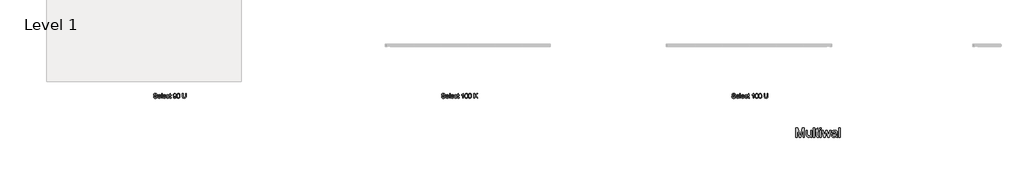
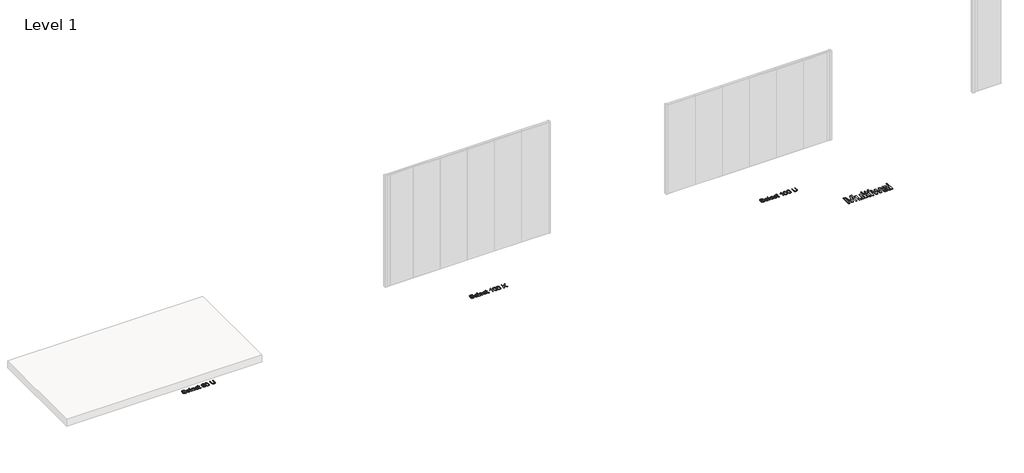
# One storey, part 3 of 4: 4 proxies.
"""IFC4 building model written with IfcOpenShell, lengths in millimetres."""

from ifc_helpers import new_model, si_unit, origin, origin_with_axes, place, context, project, spatial, polyline, outline, extrude, element, save

model = new_model("IFC4")

# Units and contexts
model_context = context("Model", 3, world=origin())
ifc_project = project(units=[si_unit("LENGTHUNIT", "METRE", prefix="MILLI")], contexts=[model_context])

# Site, building, storey
site = spatial("IfcSite", under=ifc_project)
building = spatial("IfcBuilding", under=site)
storey = spatial("IfcBuildingStorey", under=building, Name="Level 1", Elevation=0.0)

# Proxies
placement = place(None, origin())
element("IfcBuildingElementProxy", 1, Name="200mm", ObjectType="200mm", at=placement, inside=storey, context=model_context, shape_type="SweptSolid", body=[
    extrude(outline(polyline([(5837.125825, -17018.758288), (5861.7412096, -17018.758288), (5869.6739019, -17043.3977111), (5877.6426519, -17052.1116534), (5889.0489019, -17058.9746342), (5902.9912096, -17063.4277592), (5918.5681327, -17064.9121342), (5944.2892865, -17060.4169419), (5960.8998634, -17048.0611726), (5966.3565942, -17031.5467495), (5962.2700557, -17016.1861726), (5956.0440942, -17010.1104515), (5945.5392865, -17005.008288), (5909.6979404, -16995.6092495), (5871.1162096, -16983.4698265), (5858.8626038, -16975.1885765), (5850.1787096, -16965.1525188), (5845.0044307, -16953.5779995), (5843.2796711, -16940.6813649), (5845.4130846, -16926.2642976), (5851.813325, -16912.820788), (5862.312123, -16901.4265572), (5876.7412096, -16893.1573265), (5894.0609211, -16888.1272784), (5913.2315942, -16886.4505957), (5934.000825, -16888.2054034), (5952.1739019, -16893.4698265), (5967.1017865, -16902.1356919), (5978.1354404, -16914.0948265), (5985.1186134, -16928.602038), (5987.8950557, -16944.9121342), (5963.2796711, -16944.9121342), (5958.7604404, -16930.2246342), (5949.3373634, -16919.6236726), (5934.6138057, -16913.2054034), (5914.1931327, -16911.0659803), (5893.2916904, -16913.1813649), (5878.952748, -16919.5275188), (5870.6594788, -16928.8664611), (5867.8950557, -16939.9602111), (5869.8541904, -16949.4193457), (5875.7315942, -16957.0275188), (5889.625825, -16963.8304034), (5915.9239019, -16970.7775188), (5959.4815942, -16983.133288), (5973.5140461, -16992.0635765), (5983.3037096, -17003.0852111), (5989.0549115, -17016.0779995), (5990.9719788, -17030.9217495), (5988.76645, -17046.0960284), (5982.1498634, -17060.3688649), (5971.3926519, -17072.6525188), (5956.765248, -17081.8592495), (5939.1751038, -17087.6104515), (5919.5296711, -17089.5275188), (5895.4130846, -17087.4602111), (5875.563325, -17081.258288), (5859.7520269, -17070.8977111), (5847.750825, -17056.3544419), (5840.046498, -17038.6380957), (5837.125825, -17018.758288)])), origin_with_axes(), (0.0, 0.0, 1.0), 5.0),
    extrude(outline(polyline([(6126.0681327, -17043.3736726), (6150.202748, -17046.4505957), (6141.5068346, -17064.6356919), (6127.6306327, -17078.2294419), (6108.8866423, -17086.7029995), (6085.5873634, -17089.5275188), (6056.7051519, -17084.6537207), (6034.4815942, -17070.0323265), (6020.3109211, -17046.6128553), (6015.5873634, -17015.3448265), (6020.358998, -16983.0251149), (6034.6739019, -16958.8544419), (6056.5969788, -16943.7823265), (6084.1931327, -16938.758288), (6110.9299115, -16943.7703072), (6132.2940942, -16958.8063649), (6146.3025077, -16982.9289611), (6150.9719788, -17015.2005957), (6150.827748, -17021.8352111), (6040.202748, -17021.8352111), (6044.4635654, -17040.2606919), (6054.3614019, -17053.8063649), (6068.6462577, -17062.1356919), (6086.0681327, -17064.9121342), (6110.202748, -17059.7679034), (6119.1690942, -17053.0972303), (6126.0681327, -17043.3736726)]), holes=[polyline([(6040.202748, -16997.2198265), (6126.3565942, -16997.2198265), (6123.0272673, -16984.2150188), (6116.500825, -16974.9121342), (6102.1498634, -16966.258288), (6084.0969788, -16963.3736726), (6067.5044307, -16965.6753553), (6053.7844788, -16972.5804034), (6044.2472192, -16983.3436245), (6040.202748, -16997.2198265)])]), origin_with_axes(), (0.0, 0.0, 1.0), 5.0),
    extrude(outline(polyline([(6175.5873634, -17086.4505957), (6175.5873634, -16889.5275188), (6200.202748, -16889.5275188), (6200.202748, -17086.4505957), (6175.5873634, -17086.4505957)])), origin_with_axes(), (0.0, 0.0, 1.0), 5.0),
    extrude(outline(polyline([(6338.375825, -17043.3736726), (6362.5104404, -17046.4505957), (6353.8145269, -17064.6356919), (6339.938325, -17078.2294419), (6321.1943346, -17086.7029995), (6297.8950557, -17089.5275188), (6269.0128442, -17084.6537207), (6246.7892865, -17070.0323265), (6232.6186134, -17046.6128553), (6227.8950557, -17015.3448265), (6232.6666904, -16983.0251149), (6246.9815942, -16958.8544419), (6268.9046711, -16943.7823265), (6296.500825, -16938.758288), (6323.2376038, -16943.7703072), (6344.6017865, -16958.8063649), (6358.6102, -16982.9289611), (6363.2796711, -17015.2005957), (6363.1354404, -17021.8352111), (6252.5104404, -17021.8352111), (6256.7712577, -17040.2606919), (6266.6690942, -17053.8063649), (6280.95395, -17062.1356919), (6298.375825, -17064.9121342), (6322.5104404, -17059.7679034), (6331.4767865, -17053.0972303), (6338.375825, -17043.3736726)]), holes=[polyline([(6252.5104404, -16997.2198265), (6338.6642865, -16997.2198265), (6335.3349596, -16984.2150188), (6328.8085173, -16974.9121342), (6314.4575557, -16966.258288), (6296.4046711, -16963.3736726), (6279.812123, -16965.6753553), (6266.0921711, -16972.5804034), (6256.5549115, -16983.3436245), (6252.5104404, -16997.2198265)])]), origin_with_axes(), (0.0, 0.0, 1.0), 5.0),
    extrude(outline(polyline([(6480.202748, -17034.1429034), (6504.8181327, -17037.2198265), (6497.9551519, -17059.1128553), (6485.0585173, -17075.6573265), (6467.3421711, -17086.0599707), (6446.0200557, -17089.5275188), (6419.8361615, -17084.6897784), (6399.3614019, -17070.1765572), (6386.1462577, -17046.6248745), (6381.7412096, -17014.6717495), (6383.6222192, -16992.7667015), (6389.265248, -16973.7823265), (6398.7604404, -16958.4517976), (6412.1979404, -16947.508288), (6428.2736615, -16940.945788), (6445.6835173, -16938.758288), (6466.4827961, -16941.7630957), (6483.1114019, -16950.7775188), (6495.0404884, -16965.320788), (6501.7412096, -16984.9121342), (6477.125825, -16987.9890572), (6472.6606807, -16977.2498745), (6465.7075557, -16969.5515572), (6456.6510654, -16964.9181438), (6445.875825, -16963.3736726), (6429.968373, -16966.414538), (6417.3421711, -16975.5371342), (6409.1029884, -16991.2342495), (6406.3565942, -17013.9986726), (6409.0428923, -17037.0695861), (6417.1017865, -17052.820788), (6429.499623, -17061.8892976), (6445.202748, -17064.9121342), (6457.9491423, -17063.0251149), (6468.3998634, -17057.3640572), (6476.0020269, -17047.7847303), (6480.202748, -17034.1429034)])), origin_with_axes(), (0.0, 0.0, 1.0), 5.0),
    extrude(outline(polyline([(6578.6642865, -17065.9217495), (6581.7412096, -17087.1717495), (6563.327748, -17089.5275188), (6542.702748, -17085.4409803), (6532.4142865, -17074.7198265), (6529.4335173, -17046.7871342), (6529.4335173, -16966.4505957), (6510.9719788, -16966.4505957), (6510.9719788, -16941.8352111), (6529.4335173, -16941.8352111), (6529.4335173, -16906.6909803), (6554.0489019, -16892.2198265), (6554.0489019, -16941.8352111), (6578.6642865, -16941.8352111), (6578.6642865, -16966.4505957), (6554.0489019, -16966.4505957), (6554.0489019, -17046.0659803), (6555.3469788, -17058.758288), (6559.5537096, -17063.2534803), (6567.9431327, -17064.9121342), (6578.6642865, -17065.9217495)])), origin_with_axes(), (0.0, 0.0, 1.0), 5.0),
    extrude(outline(polyline([(6677.125825, -17037.2198265), (6701.7412096, -17034.1429034), (6705.9479404, -17048.1152592), (6712.7989019, -17057.6284803), (6722.125825, -17063.0912207), (6733.7604404, -17064.9121342), (6753.688325, -17060.2246342), (6767.1979404, -17047.7005957), (6775.250825, -17026.3063649), (6778.8085173, -16997.7486726), (6778.6642865, -16992.9409803), (6770.1366423, -17003.3496342), (6758.9767865, -17011.5948265), (6745.9900077, -17016.9674226), (6731.9815942, -17018.758288), (6709.5356807, -17014.383288), (6690.8517865, -17001.258288), (6678.249623, -16980.9818457), (6674.0489019, -16955.1525188), (6678.45395, -16928.4698265), (6691.6690942, -16907.5563649), (6711.5188538, -16894.0347303), (6735.827748, -16889.5275188), (6754.187123, -16892.0996342), (6770.8998634, -16899.8159803), (6784.8782288, -16912.2919419), (6795.0344788, -16929.1429034), (6801.218373, -16952.4361726), (6803.2796711, -16984.2390572), (6801.2243827, -17017.9590092), (6795.0585173, -17044.0227111), (6784.8361615, -17063.6080476), (6770.6114019, -17077.8929034), (6752.9972192, -17086.6188649), (6732.6065942, -17089.5275188), (6711.5609211, -17086.0960284), (6694.7700557, -17075.8015572), (6683.0272673, -17059.2931438), (6677.125825, -17037.2198265)]), holes=[polyline([(6778.6642865, -16954.5755957), (6776.0080365, -16937.8929034), (6768.0392865, -16925.0563649), (6755.671498, -16916.8712688), (6739.8181327, -16914.1429034), (6723.375825, -16917.0816053), (6710.202748, -16925.8977111), (6701.5489019, -16939.3892976), (6698.6642865, -16956.3544419), (6701.3926519, -16971.5647784), (6709.577748, -16983.6380957), (6722.4263057, -16991.5167015), (6739.1450557, -16994.1429034), (6754.8722192, -16991.5167015), (6767.5344788, -16983.6380957), (6775.8818346, -16971.1200669), (6778.6642865, -16954.5755957)])]), origin_with_axes(), (0.0, 0.0, 1.0), 5.0),
    extrude(outline(polyline([(6824.8181327, -16989.5755957), (6826.6270269, -16958.055163), (6832.0537096, -16932.9169419), (6841.0440942, -16913.7763169), (6853.5440942, -16900.2486726), (6869.6438538, -16892.2078072), (6889.4335173, -16889.5275188), (6904.6017865, -16891.1140572), (6918.1835173, -16895.8736726), (6929.5416904, -16903.6200669), (6938.0392865, -16914.1669419), (6949.577748, -16943.3015572), (6954.0489019, -16989.5755957), (6952.2580365, -17020.9157399), (6946.8854404, -17045.9938649), (6937.9491423, -17065.1525188), (6925.4671711, -17078.7342495), (6909.3313538, -17086.8292015), (6889.4335173, -17089.5275188), (6863.8565942, -17084.8400188), (6844.4335173, -17070.7775188), (6835.8517865, -17055.9487928), (6829.7219788, -17037.4722303), (6824.8181327, -16989.5755957)]), holes=[polyline([(6849.4335173, -16989.5275188), (6852.3181327, -17028.2474707), (6860.9719788, -17050.6573265), (6873.8565942, -17061.3484322), (6889.4335173, -17064.9121342), (6905.0104404, -17061.336413), (6917.8950557, -17050.6092495), (6926.5489019, -17028.1873745), (6929.4335173, -16989.5275188), (6926.6450557, -16951.6789611), (6918.2796711, -16929.0948265), (6905.4190942, -16917.8808842), (6889.1450557, -16914.1429034), (6873.7364019, -16917.4361726), (6861.3565942, -16927.3159803), (6852.4142865, -16951.3063649), (6849.4335173, -16989.5275188)])]), origin_with_axes(), (0.0, 0.0, 1.0), 5.0),
    extrude(outline(polyline([(7190.9719788, -16889.5275188), (7215.5873634, -16889.5275188), (7215.5873634, -17003.133288), (7213.9166904, -17029.7378553), (7208.9046711, -17050.2246342), (7199.5416904, -17066.0299226), (7184.8181327, -17078.5900188), (7164.6979404, -17086.7931438), (7139.1450557, -17089.5275188), (7114.1510654, -17087.1477111), (7094.1690942, -17080.008288), (7079.1931327, -17068.3556438), (7069.2171711, -17052.4361726), (7063.6102, -17031.0840092), (7061.7412096, -17003.133288), (7061.7412096, -16889.5275188), (7086.3565942, -16889.5275188), (7086.3565942, -17002.2679034), (7087.5705365, -17024.3892976), (7091.2123634, -17039.7919419), (7097.8109211, -17050.4590092), (7107.8950557, -17058.3736726), (7121.0440942, -17063.2775188), (7136.8373634, -17064.9121342), (7161.8734211, -17061.6789611), (7178.5200557, -17051.9794419), (7187.858998, -17033.0852111), (7190.9719788, -17002.2679034), (7190.9719788, -16889.5275188)])), origin_with_axes(), (0.0, 0.0, 1.0), 5.0),
])
element("IfcBuildingElementProxy", 2, Name="200mm", ObjectType="200mm", at=placement, inside=storey, context=model_context, shape_type="SweptSolid", body=[
    extrude(outline(polyline([(18037.125825, -17018.758288), (18061.7412096, -17018.758288), (18069.6739019, -17043.3977111), (18077.6426519, -17052.1116534), (18089.0489019, -17058.9746342), (18102.9912096, -17063.4277592), (18118.5681327, -17064.9121342), (18144.2892865, -17060.4169419), (18160.8998634, -17048.0611726), (18166.3565942, -17031.5467495), (18162.2700557, -17016.1861726), (18156.0440942, -17010.1104515), (18145.5392865, -17005.008288), (18109.6979404, -16995.6092495), (18071.1162096, -16983.4698265), (18058.8626038, -16975.1885765), (18050.1787096, -16965.1525188), (18045.0044307, -16953.5779995), (18043.2796711, -16940.6813649), (18045.4130846, -16926.2642976), (18051.813325, -16912.820788), (18062.312123, -16901.4265572), (18076.7412096, -16893.1573265), (18094.0609211, -16888.1272784), (18113.2315942, -16886.4505957), (18134.000825, -16888.2054034), (18152.1739019, -16893.4698265), (18167.1017865, -16902.1356919), (18178.1354404, -16914.0948265), (18185.1186134, -16928.602038), (18187.8950557, -16944.9121342), (18163.2796711, -16944.9121342), (18158.7604404, -16930.2246342), (18149.3373634, -16919.6236726), (18134.6138057, -16913.2054034), (18114.1931327, -16911.0659803), (18093.2916904, -16913.1813649), (18078.952748, -16919.5275188), (18070.6594788, -16928.8664611), (18067.8950557, -16939.9602111), (18069.8541904, -16949.4193457), (18075.7315942, -16957.0275188), (18089.625825, -16963.8304034), (18115.9239019, -16970.7775188), (18159.4815942, -16983.133288), (18173.5140461, -16992.0635765), (18183.3037096, -17003.0852111), (18189.0549115, -17016.0779995), (18190.9719788, -17030.9217495), (18188.76645, -17046.0960284), (18182.1498634, -17060.3688649), (18171.3926519, -17072.6525188), (18156.765248, -17081.8592495), (18139.1751038, -17087.6104515), (18119.5296711, -17089.5275188), (18095.4130846, -17087.4602111), (18075.563325, -17081.258288), (18059.7520269, -17070.8977111), (18047.750825, -17056.3544419), (18040.046498, -17038.6380957), (18037.125825, -17018.758288)])), origin_with_axes(), (0.0, 0.0, 1.0), 5.0),
    extrude(outline(polyline([(18326.0681327, -17043.3736726), (18350.202748, -17046.4505957), (18341.5068346, -17064.6356919), (18327.6306327, -17078.2294419), (18308.8866423, -17086.7029995), (18285.5873634, -17089.5275188), (18256.7051519, -17084.6537207), (18234.4815942, -17070.0323265), (18220.3109211, -17046.6128553), (18215.5873634, -17015.3448265), (18220.358998, -16983.0251149), (18234.6739019, -16958.8544419), (18256.5969788, -16943.7823265), (18284.1931327, -16938.758288), (18310.9299115, -16943.7703072), (18332.2940942, -16958.8063649), (18346.3025077, -16982.9289611), (18350.9719788, -17015.2005957), (18350.827748, -17021.8352111), (18240.202748, -17021.8352111), (18244.4635654, -17040.2606919), (18254.3614019, -17053.8063649), (18268.6462577, -17062.1356919), (18286.0681327, -17064.9121342), (18310.202748, -17059.7679034), (18319.1690942, -17053.0972303), (18326.0681327, -17043.3736726)]), holes=[polyline([(18240.202748, -16997.2198265), (18326.3565942, -16997.2198265), (18323.0272673, -16984.2150188), (18316.500825, -16974.9121342), (18302.1498634, -16966.258288), (18284.0969788, -16963.3736726), (18267.5044307, -16965.6753553), (18253.7844788, -16972.5804034), (18244.2472192, -16983.3436245), (18240.202748, -16997.2198265)])]), origin_with_axes(), (0.0, 0.0, 1.0), 5.0),
    extrude(outline(polyline([(18375.5873634, -17086.4505957), (18375.5873634, -16889.5275188), (18400.202748, -16889.5275188), (18400.202748, -17086.4505957), (18375.5873634, -17086.4505957)])), origin_with_axes(), (0.0, 0.0, 1.0), 5.0),
    extrude(outline(polyline([(18538.375825, -17043.3736726), (18562.5104404, -17046.4505957), (18553.8145269, -17064.6356919), (18539.938325, -17078.2294419), (18521.1943346, -17086.7029995), (18497.8950557, -17089.5275188), (18469.0128442, -17084.6537207), (18446.7892865, -17070.0323265), (18432.6186134, -17046.6128553), (18427.8950557, -17015.3448265), (18432.6666904, -16983.0251149), (18446.9815942, -16958.8544419), (18468.9046711, -16943.7823265), (18496.500825, -16938.758288), (18523.2376038, -16943.7703072), (18544.6017865, -16958.8063649), (18558.6102, -16982.9289611), (18563.2796711, -17015.2005957), (18563.1354404, -17021.8352111), (18452.5104404, -17021.8352111), (18456.7712577, -17040.2606919), (18466.6690942, -17053.8063649), (18480.95395, -17062.1356919), (18498.375825, -17064.9121342), (18522.5104404, -17059.7679034), (18531.4767865, -17053.0972303), (18538.375825, -17043.3736726)]), holes=[polyline([(18452.5104404, -16997.2198265), (18538.6642865, -16997.2198265), (18535.3349596, -16984.2150188), (18528.8085173, -16974.9121342), (18514.4575557, -16966.258288), (18496.4046711, -16963.3736726), (18479.812123, -16965.6753553), (18466.0921711, -16972.5804034), (18456.5549115, -16983.3436245), (18452.5104404, -16997.2198265)])]), origin_with_axes(), (0.0, 0.0, 1.0), 5.0),
    extrude(outline(polyline([(18680.202748, -17034.1429034), (18704.8181327, -17037.2198265), (18697.9551519, -17059.1128553), (18685.0585173, -17075.6573265), (18667.3421711, -17086.0599707), (18646.0200557, -17089.5275188), (18619.8361615, -17084.6897784), (18599.3614019, -17070.1765572), (18586.1462577, -17046.6248745), (18581.7412096, -17014.6717495), (18583.6222192, -16992.7667015), (18589.265248, -16973.7823265), (18598.7604404, -16958.4517976), (18612.1979404, -16947.508288), (18628.2736615, -16940.945788), (18645.6835173, -16938.758288), (18666.4827961, -16941.7630957), (18683.1114019, -16950.7775188), (18695.0404884, -16965.320788), (18701.7412096, -16984.9121342), (18677.125825, -16987.9890572), (18672.6606807, -16977.2498745), (18665.7075557, -16969.5515572), (18656.6510654, -16964.9181438), (18645.875825, -16963.3736726), (18629.968373, -16966.414538), (18617.3421711, -16975.5371342), (18609.1029884, -16991.2342495), (18606.3565942, -17013.9986726), (18609.0428923, -17037.0695861), (18617.1017865, -17052.820788), (18629.499623, -17061.8892976), (18645.202748, -17064.9121342), (18657.9491423, -17063.0251149), (18668.3998634, -17057.3640572), (18676.0020269, -17047.7847303), (18680.202748, -17034.1429034)])), origin_with_axes(), (0.0, 0.0, 1.0), 5.0),
    extrude(outline(polyline([(18778.6642865, -17065.9217495), (18781.7412096, -17087.1717495), (18763.327748, -17089.5275188), (18742.702748, -17085.4409803), (18732.4142865, -17074.7198265), (18729.4335173, -17046.7871342), (18729.4335173, -16966.4505957), (18710.9719788, -16966.4505957), (18710.9719788, -16941.8352111), (18729.4335173, -16941.8352111), (18729.4335173, -16906.6909803), (18754.0489019, -16892.2198265), (18754.0489019, -16941.8352111), (18778.6642865, -16941.8352111), (18778.6642865, -16966.4505957), (18754.0489019, -16966.4505957), (18754.0489019, -17046.0659803), (18755.3469788, -17058.758288), (18759.5537096, -17063.2534803), (18767.9431327, -17064.9121342), (18778.6642865, -17065.9217495)])), origin_with_axes(), (0.0, 0.0, 1.0), 5.0),
    extrude(outline(polyline([(18966.3565942, -17086.4505957), (18941.7412096, -17086.4505957), (18941.7412096, -16932.9890572), (18918.4239019, -16949.5996342), (18892.5104404, -16962.0275188), (18892.5104404, -16938.758288), (18928.5921711, -16915.7294419), (18941.7952961, -16902.4241534), (18950.4912096, -16889.5275188), (18966.3565942, -16889.5275188), (18966.3565942, -17086.4505957)])), origin_with_axes(), (0.0, 0.0, 1.0), 5.0),
    extrude(outline(polyline([(19024.8181327, -16989.5755957), (19026.6270269, -16958.055163), (19032.0537096, -16932.9169419), (19041.0440942, -16913.7763169), (19053.5440942, -16900.2486726), (19069.6438538, -16892.2078072), (19089.4335173, -16889.5275188), (19104.6017865, -16891.1140572), (19118.1835173, -16895.8736726), (19129.5416904, -16903.6200669), (19138.0392865, -16914.1669419), (19149.577748, -16943.3015572), (19154.0489019, -16989.5755957), (19152.2580365, -17020.9157399), (19146.8854404, -17045.9938649), (19137.9491423, -17065.1525188), (19125.4671711, -17078.7342495), (19109.3313538, -17086.8292015), (19089.4335173, -17089.5275188), (19063.8565942, -17084.8400188), (19044.4335173, -17070.7775188), (19035.8517865, -17055.9487928), (19029.7219788, -17037.4722303), (19024.8181327, -16989.5755957)]), holes=[polyline([(19049.4335173, -16989.5275188), (19052.3181327, -17028.2474707), (19060.9719788, -17050.6573265), (19073.8565942, -17061.3484322), (19089.4335173, -17064.9121342), (19105.0104404, -17061.336413), (19117.8950557, -17050.6092495), (19126.5489019, -17028.1873745), (19129.4335173, -16989.5275188), (19126.6450557, -16951.6789611), (19118.2796711, -16929.0948265), (19105.4190942, -16917.8808842), (19089.1450557, -16914.1429034), (19073.7364019, -16917.4361726), (19061.3565942, -16927.3159803), (19052.4142865, -16951.3063649), (19049.4335173, -16989.5275188)])]), origin_with_axes(), (0.0, 0.0, 1.0), 5.0),
    extrude(outline(polyline([(19175.5873634, -16989.5755957), (19177.3962577, -16958.055163), (19182.8229404, -16932.9169419), (19191.813325, -16913.7763169), (19204.313325, -16900.2486726), (19220.4130846, -16892.2078072), (19240.202748, -16889.5275188), (19255.3710173, -16891.1140572), (19268.952748, -16895.8736726), (19280.3109211, -16903.6200669), (19288.8085173, -16914.1669419), (19300.3469788, -16943.3015572), (19304.8181327, -16989.5755957), (19303.0272673, -17020.9157399), (19297.6546711, -17045.9938649), (19288.718373, -17065.1525188), (19276.2364019, -17078.7342495), (19260.1005846, -17086.8292015), (19240.202748, -17089.5275188), (19214.625825, -17084.8400188), (19195.202748, -17070.7775188), (19186.6210173, -17055.9487928), (19180.4912096, -17037.4722303), (19175.5873634, -16989.5755957)]), holes=[polyline([(19200.202748, -16989.5275188), (19203.0873634, -17028.2474707), (19211.7412096, -17050.6573265), (19224.625825, -17061.3484322), (19240.202748, -17064.9121342), (19255.7796711, -17061.336413), (19268.6642865, -17050.6092495), (19277.3181327, -17028.1873745), (19280.202748, -16989.5275188), (19277.4142865, -16951.6789611), (19269.0489019, -16929.0948265), (19256.188325, -16917.8808842), (19239.9142865, -16914.1429034), (19224.5056327, -16917.4361726), (19212.125825, -16927.3159803), (19203.1835173, -16951.3063649), (19200.202748, -16989.5275188)])]), origin_with_axes(), (0.0, 0.0, 1.0), 5.0),
    extrude(outline(polyline([(19412.5104404, -17086.4505957), (19412.5104404, -16889.5275188), (19437.125825, -16889.5275188), (19437.125825, -16985.9217495), (19538.0873634, -16889.5275188), (19572.5104404, -16889.5275188), (19487.750825, -16970.4890572), (19575.5873634, -17086.4505957), (19545.4912096, -17086.4505957), (19470.2989019, -16987.1236726), (19437.125825, -17018.758288), (19437.125825, -17086.4505957), (19412.5104404, -17086.4505957)])), origin_with_axes(), (0.0, 0.0, 1.0), 5.0),
])
element("IfcBuildingElementProxy", 3, Name="200mm", ObjectType="200mm", at=placement, inside=storey, context=model_context, shape_type="SweptSolid", body=[
    extrude(outline(polyline([(30337.125825, -17018.758288), (30361.7412096, -17018.758288), (30369.6739019, -17043.3977111), (30377.6426519, -17052.1116534), (30389.0489019, -17058.9746342), (30402.9912096, -17063.4277592), (30418.5681327, -17064.9121342), (30444.2892865, -17060.4169419), (30460.8998634, -17048.0611726), (30466.3565942, -17031.5467495), (30462.2700557, -17016.1861726), (30456.0440942, -17010.1104515), (30445.5392865, -17005.008288), (30409.6979404, -16995.6092495), (30371.1162096, -16983.4698265), (30358.8626038, -16975.1885765), (30350.1787096, -16965.1525188), (30345.0044307, -16953.5779995), (30343.2796711, -16940.6813649), (30345.4130846, -16926.2642976), (30351.813325, -16912.820788), (30362.312123, -16901.4265572), (30376.7412096, -16893.1573265), (30394.0609211, -16888.1272784), (30413.2315942, -16886.4505957), (30434.000825, -16888.2054034), (30452.1739019, -16893.4698265), (30467.1017865, -16902.1356919), (30478.1354404, -16914.0948265), (30485.1186134, -16928.602038), (30487.8950557, -16944.9121342), (30463.2796711, -16944.9121342), (30458.7604404, -16930.2246342), (30449.3373634, -16919.6236726), (30434.6138057, -16913.2054034), (30414.1931327, -16911.0659803), (30393.2916904, -16913.1813649), (30378.952748, -16919.5275188), (30370.6594788, -16928.8664611), (30367.8950557, -16939.9602111), (30369.8541904, -16949.4193457), (30375.7315942, -16957.0275188), (30389.625825, -16963.8304034), (30415.9239019, -16970.7775188), (30459.4815942, -16983.133288), (30473.5140461, -16992.0635765), (30483.3037096, -17003.0852111), (30489.0549115, -17016.0779995), (30490.9719788, -17030.9217495), (30488.76645, -17046.0960284), (30482.1498634, -17060.3688649), (30471.3926519, -17072.6525188), (30456.765248, -17081.8592495), (30439.1751038, -17087.6104515), (30419.5296711, -17089.5275188), (30395.4130846, -17087.4602111), (30375.563325, -17081.258288), (30359.7520269, -17070.8977111), (30347.750825, -17056.3544419), (30340.046498, -17038.6380957), (30337.125825, -17018.758288)])), origin_with_axes(), (0.0, 0.0, 1.0), 5.0),
    extrude(outline(polyline([(30626.0681327, -17043.3736726), (30650.202748, -17046.4505957), (30641.5068346, -17064.6356919), (30627.6306327, -17078.2294419), (30608.8866423, -17086.7029995), (30585.5873634, -17089.5275188), (30556.7051519, -17084.6537207), (30534.4815942, -17070.0323265), (30520.3109211, -17046.6128553), (30515.5873634, -17015.3448265), (30520.358998, -16983.0251149), (30534.6739019, -16958.8544419), (30556.5969788, -16943.7823265), (30584.1931327, -16938.758288), (30610.9299115, -16943.7703072), (30632.2940942, -16958.8063649), (30646.3025077, -16982.9289611), (30650.9719788, -17015.2005957), (30650.827748, -17021.8352111), (30540.202748, -17021.8352111), (30544.4635654, -17040.2606919), (30554.3614019, -17053.8063649), (30568.6462577, -17062.1356919), (30586.0681327, -17064.9121342), (30610.202748, -17059.7679034), (30619.1690942, -17053.0972303), (30626.0681327, -17043.3736726)]), holes=[polyline([(30540.202748, -16997.2198265), (30626.3565942, -16997.2198265), (30623.0272673, -16984.2150188), (30616.500825, -16974.9121342), (30602.1498634, -16966.258288), (30584.0969788, -16963.3736726), (30567.5044307, -16965.6753553), (30553.7844788, -16972.5804034), (30544.2472192, -16983.3436245), (30540.202748, -16997.2198265)])]), origin_with_axes(), (0.0, 0.0, 1.0), 5.0),
    extrude(outline(polyline([(30675.5873634, -17086.4505957), (30675.5873634, -16889.5275188), (30700.202748, -16889.5275188), (30700.202748, -17086.4505957), (30675.5873634, -17086.4505957)])), origin_with_axes(), (0.0, 0.0, 1.0), 5.0),
    extrude(outline(polyline([(30838.375825, -17043.3736726), (30862.5104404, -17046.4505957), (30853.8145269, -17064.6356919), (30839.938325, -17078.2294419), (30821.1943346, -17086.7029995), (30797.8950557, -17089.5275188), (30769.0128442, -17084.6537207), (30746.7892865, -17070.0323265), (30732.6186134, -17046.6128553), (30727.8950557, -17015.3448265), (30732.6666904, -16983.0251149), (30746.9815942, -16958.8544419), (30768.9046711, -16943.7823265), (30796.500825, -16938.758288), (30823.2376038, -16943.7703072), (30844.6017865, -16958.8063649), (30858.6102, -16982.9289611), (30863.2796711, -17015.2005957), (30863.1354404, -17021.8352111), (30752.5104404, -17021.8352111), (30756.7712577, -17040.2606919), (30766.6690942, -17053.8063649), (30780.95395, -17062.1356919), (30798.375825, -17064.9121342), (30822.5104404, -17059.7679034), (30831.4767865, -17053.0972303), (30838.375825, -17043.3736726)]), holes=[polyline([(30752.5104404, -16997.2198265), (30838.6642865, -16997.2198265), (30835.3349596, -16984.2150188), (30828.8085173, -16974.9121342), (30814.4575557, -16966.258288), (30796.4046711, -16963.3736726), (30779.812123, -16965.6753553), (30766.0921711, -16972.5804034), (30756.5549115, -16983.3436245), (30752.5104404, -16997.2198265)])]), origin_with_axes(), (0.0, 0.0, 1.0), 5.0),
    extrude(outline(polyline([(30980.202748, -17034.1429034), (31004.8181327, -17037.2198265), (30997.9551519, -17059.1128553), (30985.0585173, -17075.6573265), (30967.3421711, -17086.0599707), (30946.0200557, -17089.5275188), (30919.8361615, -17084.6897784), (30899.3614019, -17070.1765572), (30886.1462577, -17046.6248745), (30881.7412096, -17014.6717495), (30883.6222192, -16992.7667015), (30889.265248, -16973.7823265), (30898.7604404, -16958.4517976), (30912.1979404, -16947.508288), (30928.2736615, -16940.945788), (30945.6835173, -16938.758288), (30966.4827961, -16941.7630957), (30983.1114019, -16950.7775188), (30995.0404884, -16965.320788), (31001.7412096, -16984.9121342), (30977.125825, -16987.9890572), (30972.6606807, -16977.2498745), (30965.7075557, -16969.5515572), (30956.6510654, -16964.9181438), (30945.875825, -16963.3736726), (30929.968373, -16966.414538), (30917.3421711, -16975.5371342), (30909.1029884, -16991.2342495), (30906.3565942, -17013.9986726), (30909.0428923, -17037.0695861), (30917.1017865, -17052.820788), (30929.499623, -17061.8892976), (30945.202748, -17064.9121342), (30957.9491423, -17063.0251149), (30968.3998634, -17057.3640572), (30976.0020269, -17047.7847303), (30980.202748, -17034.1429034)])), origin_with_axes(), (0.0, 0.0, 1.0), 5.0),
    extrude(outline(polyline([(31078.6642865, -17065.9217495), (31081.7412096, -17087.1717495), (31063.327748, -17089.5275188), (31042.702748, -17085.4409803), (31032.4142865, -17074.7198265), (31029.4335173, -17046.7871342), (31029.4335173, -16966.4505957), (31010.9719788, -16966.4505957), (31010.9719788, -16941.8352111), (31029.4335173, -16941.8352111), (31029.4335173, -16906.6909803), (31054.0489019, -16892.2198265), (31054.0489019, -16941.8352111), (31078.6642865, -16941.8352111), (31078.6642865, -16966.4505957), (31054.0489019, -16966.4505957), (31054.0489019, -17046.0659803), (31055.3469788, -17058.758288), (31059.5537096, -17063.2534803), (31067.9431327, -17064.9121342), (31078.6642865, -17065.9217495)])), origin_with_axes(), (0.0, 0.0, 1.0), 5.0),
    extrude(outline(polyline([(31266.3565942, -17086.4505957), (31241.7412096, -17086.4505957), (31241.7412096, -16932.9890572), (31218.4239019, -16949.5996342), (31192.5104404, -16962.0275188), (31192.5104404, -16938.758288), (31228.5921711, -16915.7294419), (31241.7952961, -16902.4241534), (31250.4912096, -16889.5275188), (31266.3565942, -16889.5275188), (31266.3565942, -17086.4505957)])), origin_with_axes(), (0.0, 0.0, 1.0), 5.0),
    extrude(outline(polyline([(31324.8181327, -16989.5755957), (31326.6270269, -16958.055163), (31332.0537096, -16932.9169419), (31341.0440942, -16913.7763169), (31353.5440942, -16900.2486726), (31369.6438538, -16892.2078072), (31389.4335173, -16889.5275188), (31404.6017865, -16891.1140572), (31418.1835173, -16895.8736726), (31429.5416904, -16903.6200669), (31438.0392865, -16914.1669419), (31449.577748, -16943.3015572), (31454.0489019, -16989.5755957), (31452.2580365, -17020.9157399), (31446.8854404, -17045.9938649), (31437.9491423, -17065.1525188), (31425.4671711, -17078.7342495), (31409.3313538, -17086.8292015), (31389.4335173, -17089.5275188), (31363.8565942, -17084.8400188), (31344.4335173, -17070.7775188), (31335.8517865, -17055.9487928), (31329.7219788, -17037.4722303), (31324.8181327, -16989.5755957)]), holes=[polyline([(31349.4335173, -16989.5275188), (31352.3181327, -17028.2474707), (31360.9719788, -17050.6573265), (31373.8565942, -17061.3484322), (31389.4335173, -17064.9121342), (31405.0104404, -17061.336413), (31417.8950557, -17050.6092495), (31426.5489019, -17028.1873745), (31429.4335173, -16989.5275188), (31426.6450557, -16951.6789611), (31418.2796711, -16929.0948265), (31405.4190942, -16917.8808842), (31389.1450557, -16914.1429034), (31373.7364019, -16917.4361726), (31361.3565942, -16927.3159803), (31352.4142865, -16951.3063649), (31349.4335173, -16989.5275188)])]), origin_with_axes(), (0.0, 0.0, 1.0), 5.0),
    extrude(outline(polyline([(31475.5873634, -16989.5755957), (31477.3962577, -16958.055163), (31482.8229404, -16932.9169419), (31491.813325, -16913.7763169), (31504.313325, -16900.2486726), (31520.4130846, -16892.2078072), (31540.202748, -16889.5275188), (31555.3710173, -16891.1140572), (31568.952748, -16895.8736726), (31580.3109211, -16903.6200669), (31588.8085173, -16914.1669419), (31600.3469788, -16943.3015572), (31604.8181327, -16989.5755957), (31603.0272673, -17020.9157399), (31597.6546711, -17045.9938649), (31588.718373, -17065.1525188), (31576.2364019, -17078.7342495), (31560.1005846, -17086.8292015), (31540.202748, -17089.5275188), (31514.625825, -17084.8400188), (31495.202748, -17070.7775188), (31486.6210173, -17055.9487928), (31480.4912096, -17037.4722303), (31475.5873634, -16989.5755957)]), holes=[polyline([(31500.202748, -16989.5275188), (31503.0873634, -17028.2474707), (31511.7412096, -17050.6573265), (31524.625825, -17061.3484322), (31540.202748, -17064.9121342), (31555.7796711, -17061.336413), (31568.6642865, -17050.6092495), (31577.3181327, -17028.1873745), (31580.202748, -16989.5275188), (31577.4142865, -16951.6789611), (31569.0489019, -16929.0948265), (31556.188325, -16917.8808842), (31539.9142865, -16914.1429034), (31524.5056327, -16917.4361726), (31512.125825, -16927.3159803), (31503.1835173, -16951.3063649), (31500.202748, -16989.5275188)])]), origin_with_axes(), (0.0, 0.0, 1.0), 5.0),
    extrude(outline(polyline([(31841.7412096, -16889.5275188), (31866.3565942, -16889.5275188), (31866.3565942, -17003.133288), (31864.6859211, -17029.7378553), (31859.6739019, -17050.2246342), (31850.3109211, -17066.0299226), (31835.5873634, -17078.5900188), (31815.4671711, -17086.7931438), (31789.9142865, -17089.5275188), (31764.9202961, -17087.1477111), (31744.938325, -17080.008288), (31729.9623634, -17068.3556438), (31719.9864019, -17052.4361726), (31714.3794307, -17031.0840092), (31712.5104404, -17003.133288), (31712.5104404, -16889.5275188), (31737.125825, -16889.5275188), (31737.125825, -17002.2679034), (31738.3397673, -17024.3892976), (31741.9815942, -17039.7919419), (31748.5801519, -17050.4590092), (31758.6642865, -17058.3736726), (31771.813325, -17063.2775188), (31787.6065942, -17064.9121342), (31812.6426519, -17061.6789611), (31829.2892865, -17051.9794419), (31838.6282288, -17033.0852111), (31841.7412096, -17002.2679034), (31841.7412096, -16889.5275188)])), origin_with_axes(), (0.0, 0.0, 1.0), 5.0),
])
element("IfcBuildingElementProxy", 4, Name="400mm", ObjectType="400mm", at=placement, inside=storey, context=model_context, shape_type="SweptSolid", body=[
    extrude(outline(polyline([(33050.6895656, -18739.8633015), (33050.6895656, -18348.1057258), (33134.9518762, -18348.1057258), (33215.1014974, -18624.2297788), (33231.2653232, -18681.9030743), (33248.7681641, -18619.4475819), (33327.5787702, -18348.1057258), (33411.8410808, -18348.1057258), (33411.8410808, -18739.8633015), (33362.8713838, -18739.8633015), (33362.8713838, -18397.0754228), (33264.4537702, -18739.8633015), (33198.0768762, -18739.8633015), (33099.6592626, -18397.0754228), (33099.6592626, -18739.8633015), (33050.6895656, -18739.8633015)])), origin_with_axes(), (0.0, 0.0, 1.0), 20.0),
    extrude(outline(polyline([(33675.053202, -18739.8633015), (33675.053202, -18690.4153849), (33657.3351622, -18714.7268787), (33636.6999823, -18732.0922315), (33613.1476622, -18742.5114431), (33586.678202, -18745.9845137), (33562.8269946, -18743.5455932), (33540.6256452, -18736.2288319), (33521.998988, -18725.2297788), (33508.8718573, -18711.7439834), (33500.0367484, -18695.3649587), (33494.2861565, -18675.6862182), (33491.4168383, -18630.1597031), (33491.4168383, -18452.1663319), (33540.3865353, -18452.1663319), (33540.3865353, -18607.1095137), (33543.3514974, -18657.03565), (33550.4889264, -18673.689651), (33562.7193952, -18686.3505175), (33579.2299302, -18694.3487419), (33599.207558, -18697.0148167), (33620.3329131, -18694.2889644), (33640.0953421, -18686.1114076), (33656.3906783, -18673.2353423), (33667.114755, -18656.4139644), (33673.0685902, -18633.3757305), (33675.053202, -18601.849097), (33675.053202, -18452.1663319), (33724.0228989, -18452.1663319), (33724.0228989, -18739.8633015), (33675.053202, -18739.8633015)])), origin_with_axes(), (0.0, 0.0, 1.0), 20.0),
    extrude(outline(polyline([(33791.3562323, -18739.8633015), (33791.3562323, -18348.1057258), (33840.3259292, -18348.1057258), (33840.3259292, -18739.8633015), (33791.3562323, -18739.8633015)])), origin_with_axes(), (0.0, 0.0, 1.0), 20.0),
    extrude(outline(polyline([(34017.8410808, -18699.0233394), (34023.9622929, -18741.2979606), (33987.3306641, -18745.9845137), (33963.826166, -18743.95208), (33946.2994141, -18737.8547788), (33933.9135239, -18728.4577618), (33925.8316111, -18716.5261803), (33921.3841679, -18696.0344663), (33919.9016868, -18660.9570515), (33919.9016868, -18501.1360288), (33883.1744141, -18501.1360288), (33883.1744141, -18452.1663319), (33919.9016868, -18452.1663319), (33919.9016868, -18382.2506122), (33968.8713838, -18353.4617864), (33968.8713838, -18452.1663319), (34017.8410808, -18452.1663319), (34017.8410808, -18501.1360288), (33968.8713838, -18501.1360288), (33968.8713838, -18659.5223925), (33971.4537702, -18684.7723925), (33979.8226148, -18693.7151008), (33996.5124823, -18697.0148167), (34017.8410808, -18699.0233394)])), origin_with_axes(), (0.0, 0.0, 1.0), 20.0),
    extrude(outline(polyline([(34066.8107777, -18397.0754228), (34066.8107777, -18348.1057258), (34115.7804747, -18348.1057258), (34115.7804747, -18397.0754228), (34066.8107777, -18397.0754228)])), origin_with_axes(), (0.0, 0.0, 1.0), 20.0),
    extrude(outline(polyline([(34066.8107777, -18739.8633015), (34066.8107777, -18452.1663319), (34115.7804747, -18452.1663319), (34115.7804747, -18739.8633015), (34066.8107777, -18739.8633015)])), origin_with_axes(), (0.0, 0.0, 1.0), 20.0),
    extrude(outline(polyline([(34236.9613459, -18739.8633015), (34149.4471414, -18452.1663319), (34200.3297171, -18452.1663319), (34249.9689217, -18620.0214455), (34264.7937323, -18679.9901955), (34276.9405126, -18622.2212561), (34316.4414595, -18452.1663319), (34374.7842626, -18452.1663319), (34414.0939217, -18621.7430364), (34424.9016868, -18674.0602712), (34440.396005, -18618.8737182), (34490.1308535, -18452.1663319), (34541.2047171, -18452.1663319), (34453.021005, -18739.8633015), (34393.8174065, -18739.8633015), (34356.2293383, -18571.1473925), (34345.3259292, -18518.5432258), (34296.834452, -18739.8633015), (34236.9613459, -18739.8633015)])), origin_with_axes(), (0.0, 0.0, 1.0), 20.0),
    extrude(outline(polyline([(34758.5077474, -18703.1360288), (34735.1108488, -18723.1973451), (34711.0205315, -18736.3244758), (34685.6868431, -18743.5695042), (34658.5598308, -18745.9845137), (34636.7560015, -18744.5319213), (34617.6361802, -18740.1741444), (34601.200367, -18732.9111827), (34587.4485618, -18722.7430364), (34576.5899858, -18710.315302), (34568.8338601, -18696.2735762), (34564.1801847, -18680.6178588), (34562.6289595, -18663.34815), (34564.9722361, -18643.0477239), (34572.0020656, -18624.6123546), (34582.8456972, -18608.8311046), (34596.63038, -18596.4930364), (34630.9187323, -18580.4248546), (34673.2889974, -18573.0602712), (34723.3585997, -18565.3131122), (34758.2208156, -18556.2269379), (34758.5077474, -18545.3235288), (34755.1362986, -18523.4688887), (34745.021952, -18509.1701197), (34722.4021603, -18498.5536425), (34690.8874823, -18495.0148167), (34661.7160808, -18497.3700487), (34641.3439217, -18504.4357447), (34627.4516395, -18517.503098), (34617.7198686, -18537.8633015), (34568.7501717, -18531.7420894), (34577.2505268, -18504.9617864), (34589.9353042, -18483.9201197), (34607.9880978, -18467.8280269), (34632.5925012, -18455.8964455), (34662.6844756, -18448.5079512), (34697.1999823, -18446.0451197), (34730.3047408, -18448.2210194), (34756.5470467, -18454.7487182), (34776.3333866, -18464.5641775), (34790.0702474, -18476.6033584), (34799.1803327, -18491.4879464), (34805.0863459, -18509.8396273), (34807.4774444, -18552.6881122), (34807.4774444, -18613.6133015), (34809.9641868, -18698.6885856), (34819.7198686, -18739.8633015), (34770.7501717, -18739.8633015), (34762.9073686, -18722.8386803), (34758.5077474, -18703.1360288)]), holes=[polyline([(34758.5077474, -18605.1966349), (34725.6062323, -18613.3502807), (34679.5058535, -18620.2127334), (34637.3746982, -18628.1511803), (34626.4115116, -18633.5789739), (34618.2937323, -18641.0631122), (34613.2724255, -18650.0297315), (34611.5986565, -18659.9049682), (34615.2450817, -18674.466758), (34626.1843573, -18686.3983394), (34644.1773734, -18694.3606974), (34668.9850202, -18697.0148167), (34695.2871035, -18694.0857211), (34718.5285808, -18685.2984341), (34737.3704368, -18672.3506358), (34750.4736565, -18656.9400061), (34756.2840258, -18641.0631122), (34758.2208156, -18619.0650061), (34758.5077474, -18605.1966349)])]), origin_with_axes(), (0.0, 0.0, 1.0), 20.0),
    extrude(outline(polyline([(34874.8107777, -18739.8633015), (34874.8107777, -18348.1057258), (34923.7804747, -18348.1057258), (34923.7804747, -18739.8633015), (34874.8107777, -18739.8633015)])), origin_with_axes(), (0.0, 0.0, 1.0), 20.0),
])

save(model, "model.ifc")
